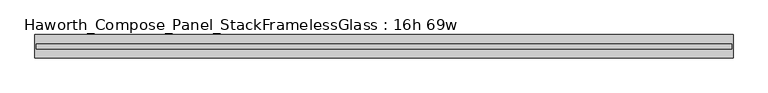
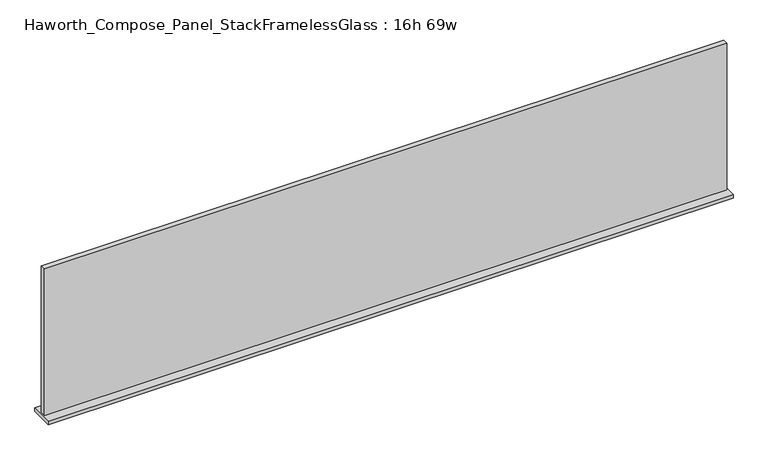
"""IFC4 building model written with IfcOpenShell, lengths in millimetres: furniture geometry, Haworth_Compose_Panel_StackFramelessGlass : 16h 69w."""

from ifc_helpers import new_model, si_unit, frame, origin, place, context, project, spatial, polyline, outline, extrude, source, transform, mapped, element, save


def haworth_compose_panel_stackframelessglass_16h_69w_5d32c44f(model_context):
    return source(origin(), model_context, "Body", "SweptSolid", [
        extrude(outline(polyline([(875.5652902, -27.3093594), (-870.6847098, -27.3093594), (-870.6847098, -14.6093594), (875.5652902, -14.6093594), (875.5652902, -27.3093594)])), frame((0.0, 0.0, 1279.525), z_axis=(0.0, 0.0, 1.0), x_axis=(1.0, 0.0, 0.0)), (0.0, 0.0, 1.0), 396.875),
        extrude(outline(polyline([(-873.8597098, -50.3281094), (-873.8597098, 8.4093906), (878.7402902, 8.4093906), (878.7402902, -50.3281094), (-873.8597098, -50.3281094)])), frame((0.0, 0.0, 1270.0), z_axis=(0.0, 0.0, 1.0), x_axis=(1.0, 0.0, 0.0)), (0.0, 0.0, 1.0), 9.525),
    ])


if __name__ == "__main__":
    model = new_model("IFC4")
    model_context = context("Model", 3, world=origin())
    ifc_project = project(units=[si_unit("LENGTHUNIT", "METRE", prefix="MILLI")], contexts=[model_context])
    site = spatial("IfcSite", under=ifc_project)
    building = spatial("IfcBuilding", under=site)
    placement = place(None, origin())
    haworth_compose_panel_stackframelessglass_16h_69w_shape = haworth_compose_panel_stackframelessglass_16h_69w_5d32c44f(model_context)
    element("IfcFurniture", 1, ObjectType="Haworth_Compose_Panel_StackFramelessGlass : 16h 69w", at=placement, inside=building, context=model_context, shape_type="MappedRepresentation", body=[
        mapped(haworth_compose_panel_stackframelessglass_16h_69w_shape, transform((0.0, 0.0, 0.0), x_axis=(1.0, 0.0, 0.0), y_axis=(0.0, 1.0, 0.0), z_axis=(0.0, 0.0, 1.0))),
    ])
    save(model, "model.ifc")
